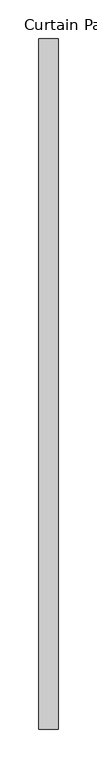
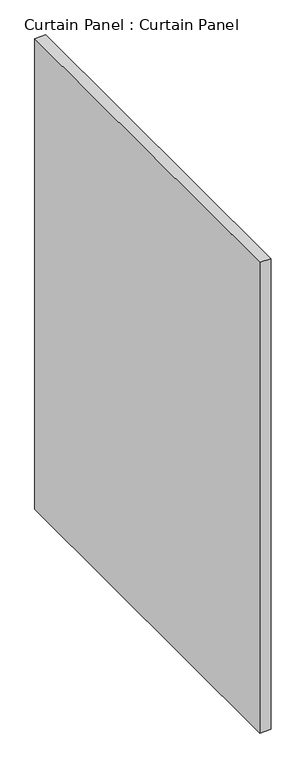
"""IFC4 building model written with IfcOpenShell, lengths in millimetres: plate geometry, Curtain Panel : Curtain Panel."""

import ifcopenshell
import ifcopenshell.guid

model = None  # the IFC model being written
_history = None  # IfcOwnerHistory: only IFC2X3 demands one
_inside = {}  # id of a spatial element -> (the spatial element, [elements in it])
_under = {}  # id of a project, library or spatial element -> (it, [spatial elements below it])
_declared = {}  # id of a project -> (the project, [libraries it declares])
_typed = {}  # id of a type object -> (the type object, [elements of that type])
_made_of = {}  # id of a material, layer set ... -> (it, [elements and type objects made of it])


def new_model(schema):
    """Start an empty IFC model of exactly this schema.

    Asked for "IFC4X3", IfcOpenShell would pick the latest addendum, in which some entities
    have other attributes; the version numbers below select the first issue.
    IFC2X3 requires an IfcOwnerHistory on every rooted entity: one is made here for all.
    """
    global model, _history
    if schema == "IFC4X3":
        model = ifcopenshell.file(schema_version=(4, 3, 0, 0))
    else:
        model = ifcopenshell.file(schema=schema)
    _inside.clear()
    _under.clear()
    _declared.clear()
    _typed.clear()
    _made_of.clear()
    _history = None
    if model.schema == "IFC2X3":
        org = make("IfcOrganization", Name="unknown")
        user = make(
            "IfcPersonAndOrganization",
            ThePerson=make("IfcPerson", FamilyName="unknown"),
            TheOrganization=org,
        )
        app = make(
            "IfcApplication",
            ApplicationDeveloper=org,
            Version="unknown",
            ApplicationFullName="unknown",
            ApplicationIdentifier="unknown",
        )
        _history = make(
            "IfcOwnerHistory",
            OwningUser=user,
            OwningApplication=app,
            ChangeAction="ADDED",
            CreationDate=0,
        )
    return model


def make(cls, **values):
    """One entity of the class cls with the attributes given. An attribute that is None is left unset."""
    return model.create_entity(
        cls, **{name: value for name, value in values.items() if value is not None}
    )


def rooted(cls, **values):
    """An entity with a GlobalId (a new one), such as an element, a storey or a relation."""
    return make(cls, GlobalId=ifcopenshell.guid.new(), OwnerHistory=_history, **values)


def si_unit(unit_type, name, prefix=None):
    """IfcSIUnit, for example si_unit("LENGTHUNIT", "METRE", prefix="MILLI")."""
    return make("IfcSIUnit", UnitType=unit_type, Prefix=prefix, Name=name)


def assignment(units):
    """IfcUnitAssignment: the units of a project."""
    return None if units is None else make("IfcUnitAssignment", Units=units)


def point(xyz):
    """IfcCartesianPoint."""
    return None if xyz is None else make("IfcCartesianPoint", Coordinates=xyz)


def direction(xyz):
    """IfcDirection."""
    return None if xyz is None else make("IfcDirection", DirectionRatios=xyz)


def frame(location, z_axis=None, x_axis=None):
    """IfcAxis2Placement3D, a coordinate frame: its origin and axes. An axis left out is left unset."""
    return make(
        "IfcAxis2Placement3D",
        Location=point(location),
        Axis=direction(z_axis),
        RefDirection=direction(x_axis),
    )


def origin():
    """The frame at (0, 0, 0) with its axes left unset."""
    return frame((0.0, 0.0, 0.0))


def place(relative_to, where):
    """IfcLocalPlacement: puts the frame where relative to a parent placement (None: the world)."""
    return make(
        "IfcLocalPlacement", PlacementRelTo=relative_to, RelativePlacement=where
    )


def context(
    kind, dimensions, precision=None, world=None, true_north=None, identifier=None
):
    """IfcGeometricRepresentationContext, for example the 3D "Model" context."""
    return make(
        "IfcGeometricRepresentationContext",
        ContextIdentifier=identifier,
        ContextType=kind,
        CoordinateSpaceDimension=dimensions,
        Precision=precision,
        WorldCoordinateSystem=world,
        TrueNorth=true_north,
    )


def project(units=None, contexts=None):
    """IfcProject with its units and contexts."""
    return rooted(
        "IfcProject",
        Name="project",
        RepresentationContexts=contexts,
        UnitsInContext=assignment(units),
    )


def spatial(cls, under=None, at=None, **own):
    """A site, building, storey or space (cls), placed at a placement, below another one or the project."""
    s = rooted(cls, ObjectPlacement=at, **own)
    if under is not None:
        _under.setdefault(under.id(), (under, []))[1].append(s)
    return s


def polyline(points):
    """IfcPolyline through the points."""
    return make("IfcPolyline", Points=[point(p) for p in points])


def outline(outer, holes=None, kind="AREA"):
    """IfcArbitraryClosedProfileDef: a profile drawn as a closed curve; with holes, ...WithVoids."""
    if holes is None:
        return make("IfcArbitraryClosedProfileDef", ProfileType=kind, OuterCurve=outer)
    return make(
        "IfcArbitraryProfileDefWithVoids",
        ProfileType=kind,
        OuterCurve=outer,
        InnerCurves=holes,
    )


def extrude(swept, where, along, depth):
    """IfcExtrudedAreaSolid: the profile swept, set in the frame where, extruded along a direction by depth."""
    return make(
        "IfcExtrudedAreaSolid",
        SweptArea=swept,
        Position=where,
        ExtrudedDirection=direction(along),
        Depth=depth,
    )


def shape(context_of_items, identifier, shape_type, items):
    """IfcShapeRepresentation: the items that make up one representation, for example the "Body"."""
    return make(
        "IfcShapeRepresentation",
        ContextOfItems=context_of_items,
        RepresentationIdentifier=identifier,
        RepresentationType=shape_type,
        Items=items,
    )


def source(mapping_origin, context_of_items, identifier, shape_type, items):
    """IfcRepresentationMap: a shape defined once, which mapped items show again and again."""
    return make(
        "IfcRepresentationMap",
        MappingOrigin=mapping_origin,
        MappedRepresentation=shape(context_of_items, identifier, shape_type, items),
    )


def transform(
    local_origin,
    x_axis=None,
    y_axis=None,
    z_axis=None,
    scale=None,
    scale2=None,
    scale3=None,
    uniform=True,
):
    """IfcCartesianTransformationOperator3D, or its non-uniform kind. x_axis, y_axis, z_axis: its Axis1, 2, 3."""
    if uniform:
        return make(
            "IfcCartesianTransformationOperator3D",
            Axis1=direction(x_axis),
            Axis2=direction(y_axis),
            LocalOrigin=point(local_origin),
            Scale=scale,
            Axis3=direction(z_axis),
        )
    return make(
        "IfcCartesianTransformationOperator3DnonUniform",
        Axis1=direction(x_axis),
        Axis2=direction(y_axis),
        LocalOrigin=point(local_origin),
        Scale=scale,
        Axis3=direction(z_axis),
        Scale2=scale2,
        Scale3=scale3,
    )


def mapped(mapping_source, mapping_target):
    """IfcMappedItem: shows the shape of a source again, moved by a transform."""
    return make(
        "IfcMappedItem", MappingSource=mapping_source, MappingTarget=mapping_target
    )


def made_of(thing, what):
    """Note that an element or type object is made of a material, layer set ...; save() writes the relation."""
    if what is not None:
        _made_of.setdefault(what.id(), (what, []))[1].append(thing)
    return thing


def element(
    cls,
    number,
    at=None,
    inside=None,
    cuts=None,
    type_object=None,
    material=None,
    context=None,
    identifier="Body",
    shape_type=None,
    held_by="IfcProductDefinitionShape",
    body=None,
    shapes=None,
    **own,
):
    """One element of the class cls, such as IfcWall. Its Tag is "e" and its number.

    at: its placement. inside: the storey or other place that contains it. cuts: it is an
    opening in that element (IfcRelVoidsElement). A single representation is given by context,
    identifier, shape_type and body (its items); several are given by shapes. held_by: the class
    of the entity that holds the representations. save() writes the other relations.
    """
    e = rooted(cls, Tag="e%d" % number, ObjectPlacement=at, **own)
    if body is not None:
        shapes = [shape(context, identifier, shape_type, body)]
    if shapes is not None:
        e.Representation = make(held_by, Representations=shapes)
    if inside is not None:
        _inside.setdefault(inside.id(), (inside, []))[1].append(e)
    if cuts is not None:
        rooted(
            "IfcRelVoidsElement", RelatingBuildingElement=cuts, RelatedOpeningElement=e
        )
    if type_object is not None:
        _typed.setdefault(type_object.id(), (type_object, []))[1].append(e)
    return made_of(e, material)


def aggregate(whole, parts):
    """IfcRelAggregates: a whole, such as a stair, and the parts it consists of."""
    return rooted("IfcRelAggregates", RelatingObject=whole, RelatedObjects=parts)


def save(model, path):
    """Write the relations noted so far, then the file.

    IfcRelAggregates (storeys below a building ...), IfcRelContainedInSpatialStructure (elements
    in a storey), IfcRelDefinesByType, IfcRelAssociatesMaterial and IfcRelDeclares: one each for
    every whole, place, type object, material and project.
    """
    for whole, parts in _under.values():
        aggregate(whole, parts)
    for where, things in _inside.values():
        rooted(
            "IfcRelContainedInSpatialStructure",
            RelatedElements=things,
            RelatingStructure=where,
        )
    for kind, things in _typed.values():
        rooted("IfcRelDefinesByType", RelatedObjects=things, RelatingType=kind)
    for what, things in _made_of.values():
        rooted("IfcRelAssociatesMaterial", RelatedObjects=things, RelatingMaterial=what)
    for by, libraries in _declared.values():
        rooted("IfcRelDeclares", RelatingContext=by, RelatedDefinitions=libraries)
    model.write(path)


def curtain_panel_curtain_panel_40b673df(model_context):
    return source(origin(), model_context, "Body", "SweptSolid", [
        extrude(outline(polyline([(-35292.8444373, -111.0103138), (-35292.8444373, -1006.3600874), (-35318.2444373, -1006.3600874), (-35318.2444373, -111.0103138), (-35292.8444373, -111.0103138)])), frame((0.0, 0.0, 1767.7863442), z_axis=(0.0, 0.0, 1.0), x_axis=(1.0, 0.0, 0.0)), (0.0, 0.0, 1.0), 1141.8873856),
    ])


if __name__ == "__main__":
    model = new_model("IFC4")
    model_context = context("Model", 3, world=origin())
    ifc_project = project(units=[si_unit("LENGTHUNIT", "METRE", prefix="MILLI")], contexts=[model_context])
    site = spatial("IfcSite", under=ifc_project)
    building = spatial("IfcBuilding", under=site)
    placement = place(None, origin())
    curtain_panel_curtain_panel_shape = curtain_panel_curtain_panel_40b673df(model_context)
    element("IfcPlate", 1, ObjectType="Curtain Panel : Curtain Panel", at=placement, inside=building, context=model_context, shape_type="MappedRepresentation", body=[
        mapped(curtain_panel_curtain_panel_shape, transform((0.0, 0.0, 0.0), x_axis=(1.0, 0.0, 0.0), y_axis=(0.0, 1.0, 0.0), z_axis=(0.0, 0.0, 1.0))),
    ])
    save(model, "model.ifc")
